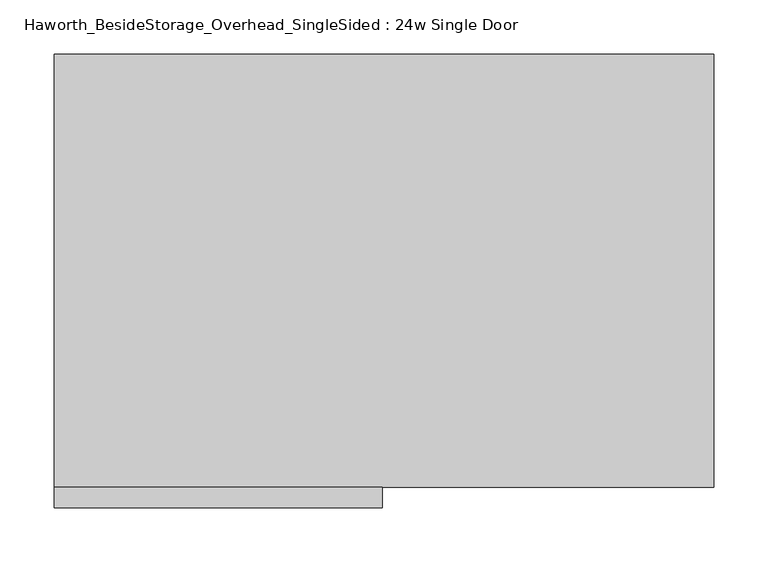
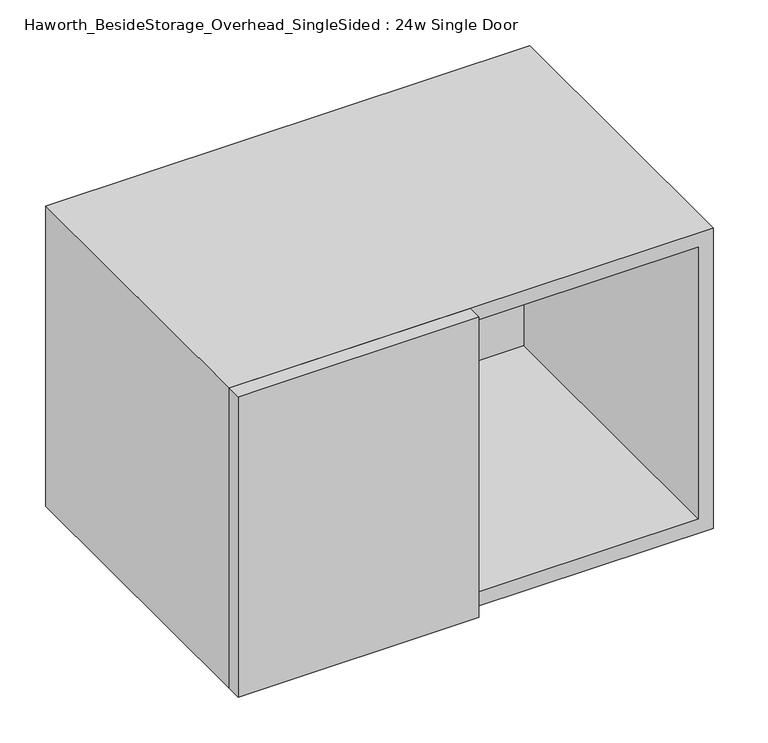
"""IFC4 building model written with IfcOpenShell, lengths in millimetres: furniture geometry, Haworth_BesideStorage_Overhead_SingleSided : 24w Single Door."""

from ifc_helpers import new_model, si_unit, frame, origin, place, context, project, spatial, polyline, outline, extrude, source, transform, mapped, element, save


def haworth_besidestorage_overhead_singlesided_24w_single_door_42b2de21(model_context):
    return source(origin(), model_context, "Body", "SweptSolid", [
        extrude(outline(polyline([(163.5125, -419.1), (-139.7, -419.1), (-139.7, -400.05), (163.5125, -400.05), (163.5125, -419.1)])), frame((0.0, 0.0, 762.0), z_axis=(0.0, 0.0, 1.0), x_axis=(1.0, 0.0, 0.0)), (0.0, 0.0, 1.0), 400.05),
        extrude(outline(polyline([(174.625, -400.05), (155.575, -400.05), (155.575, -19.05), (174.625, -19.05), (174.625, -400.05)])), frame((0.0, 0.0, 781.05), z_axis=(0.0, 0.0, 1.0), x_axis=(1.0, 0.0, 0.0)), (0.0, 0.0, 1.0), 361.95),
        extrude(outline(polyline([(450.85, -19.05), (-120.65, -19.05), (-120.65, 0.0), (450.85, 0.0), (450.85, -19.05)])), frame((0.0, 0.0, 781.05), z_axis=(0.0, 0.0, 1.0), x_axis=(1.0, 0.0, 0.0)), (0.0, 0.0, 1.0), 361.95),
        extrude(outline(polyline([(762.0, 469.9), (1162.05, 469.9), (1162.05, -139.7), (762.0, -139.7), (762.0, 469.9)]), holes=[polyline([(1143.0, 450.85), (781.05, 450.85), (781.05, -120.65), (1143.0, -120.65), (1143.0, 450.85)])]), frame((0.0, -400.05, 0.0), z_axis=(0.0, 1.0, 0.0), x_axis=(0.0, 0.0, 1.0)), (0.0, 0.0, 1.0), 400.05),
    ])


if __name__ == "__main__":
    model = new_model("IFC4")
    model_context = context("Model", 3, world=origin())
    ifc_project = project(units=[si_unit("LENGTHUNIT", "METRE", prefix="MILLI")], contexts=[model_context])
    site = spatial("IfcSite", under=ifc_project)
    building = spatial("IfcBuilding", under=site)
    placement = place(None, origin())
    haworth_besidestorage_overhead_singlesided_24w_single_door_shape = haworth_besidestorage_overhead_singlesided_24w_single_door_42b2de21(model_context)
    element("IfcFurniture", 1, ObjectType="Haworth_BesideStorage_Overhead_SingleSided : 24w Single Door", at=placement, inside=building, context=model_context, shape_type="MappedRepresentation", body=[
        mapped(haworth_besidestorage_overhead_singlesided_24w_single_door_shape, transform((0.0, 0.0, 0.0), x_axis=(1.0, 0.0, 0.0), y_axis=(0.0, 1.0, 0.0), z_axis=(0.0, 0.0, 1.0))),
    ])
    save(model, "model.ifc")
